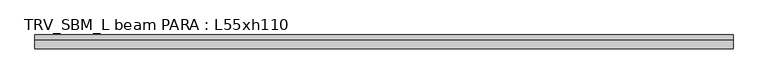
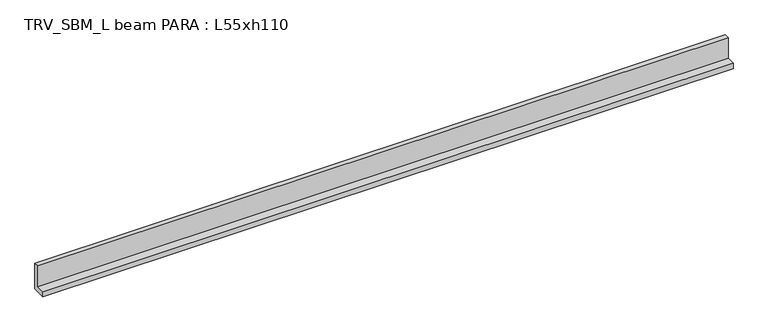
"""IFC4 building model written with IfcOpenShell, lengths in millimetres: beam geometry, TRV_SBM_L beam PARA : L55xh110."""

from ifc_helpers import new_model, si_unit, frame, origin, place, context, project, spatial, polyline, outline, extrude, source, transform, mapped, element, save


def trv_sbm_l_beam_para_l55xh110_6a40e3c6(model_context):
    return source(origin(), model_context, "Body", "SweptSolid", [
        extrude(outline(polyline([(115.0, -100.0), (-435.0, -100.0), (-435.0, 120.0), (-85.0, 120.0), (-85.0, 1000.0), (115.0, 1000.0), (115.0, -100.0)])), frame((-13904.5640975, 0.0, 0.0), z_axis=(1.0, 0.0, 0.0), x_axis=(0.0, 1.0, 0.0)), (0.0, 0.0, 1.0), 27801.9718594),
    ])


if __name__ == "__main__":
    model = new_model("IFC4")
    model_context = context("Model", 3, world=origin())
    ifc_project = project(units=[si_unit("LENGTHUNIT", "METRE", prefix="MILLI")], contexts=[model_context])
    site = spatial("IfcSite", under=ifc_project)
    building = spatial("IfcBuilding", under=site)
    placement = place(None, origin())
    trv_sbm_l_beam_para_l55xh110_shape = trv_sbm_l_beam_para_l55xh110_6a40e3c6(model_context)
    element("IfcBeam", 1, ObjectType="TRV_SBM_L beam PARA : L55xh110", at=placement, inside=building, context=model_context, shape_type="MappedRepresentation", body=[
        mapped(trv_sbm_l_beam_para_l55xh110_shape, transform((0.0, 0.0, 0.0), x_axis=(1.0, 0.0, 0.0), y_axis=(0.0, 1.0, 0.0), z_axis=(0.0, 0.0, 1.0))),
    ])
    save(model, "model.ifc")
